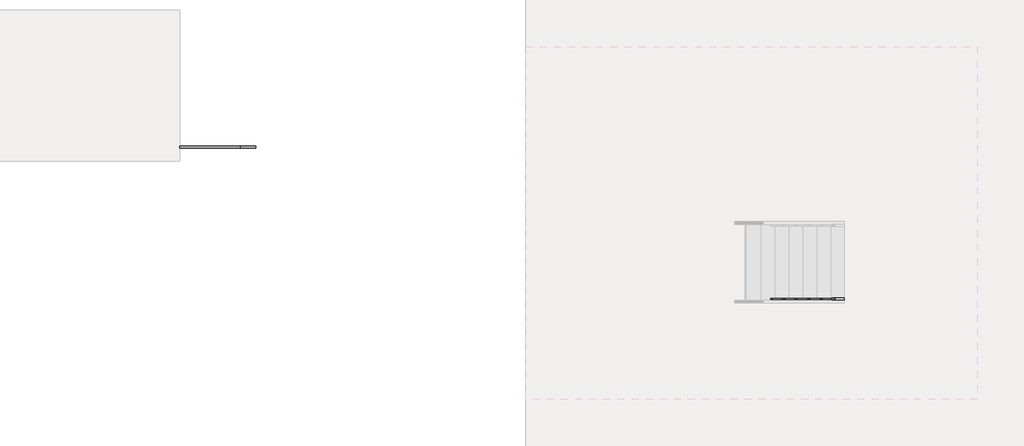
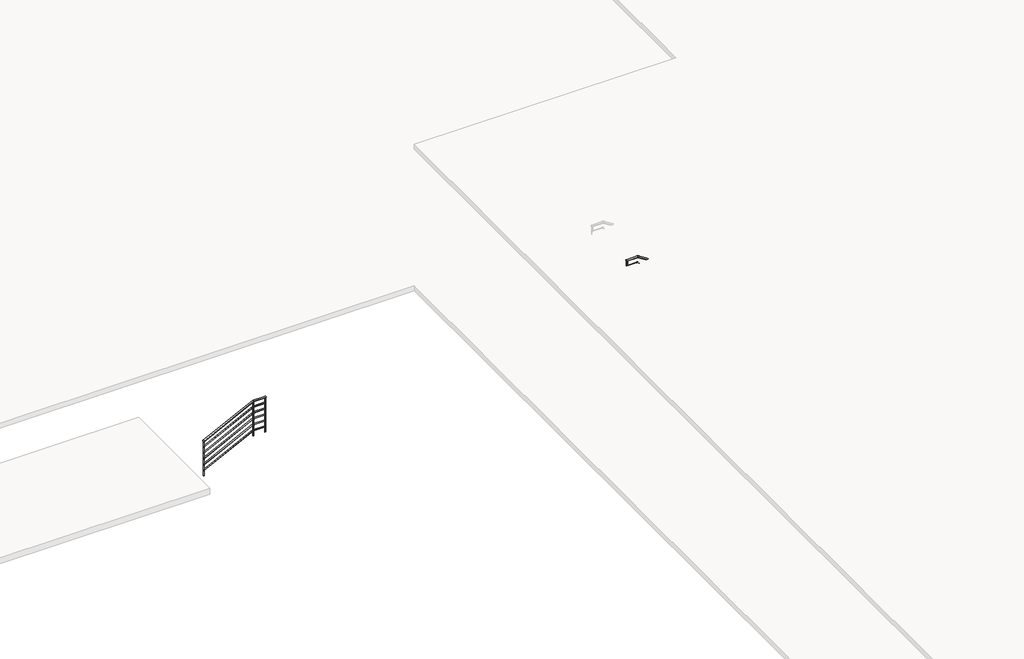
# One storey, part 35 of 38: 2 railings.
"""IFC4 building model written with IfcOpenShell, lengths in millimetres."""

from ifc_helpers import new_model, si_unit, point, frame, frame_2d, origin, origin_with_axes, place, context, project, spatial, circle_curve, ellipse_curve, trimmed, segment, composite_curve, outline, extrude, element, save
from ifc_brep_helpers import plane_surface, cylinder_surface, advanced_brep

model = new_model("IFC4")

# Units and contexts
model_context = context("Model", 3, world=origin())
ifc_project = project(units=[si_unit("LENGTHUNIT", "METRE", prefix="MILLI")], contexts=[model_context])

# Site, building, storey
site = spatial("IfcSite", under=ifc_project)
building = spatial("IfcBuilding", under=site)
storey = spatial("IfcBuildingStorey", under=building, Elevation=0.0)

# Railings
placement = place(None, origin())
element("IfcRailing", 1, ObjectType="Handrail - Pipe", at=placement, inside=storey, context=model_context, shape_type="SolidModel", body=[
    advanced_brep(
    [(-341912.3540228, 173963.6600981, 283.5014525), (-341912.3540228, 174001.7600981, 283.5014525), (-340688.6569278, 173963.6600981, 895.35), (-340688.6569278, 174001.7600981, 895.35), (-340388.3540228, 173963.6600981, 895.35), (-340388.3540228, 174001.7600981, 895.35)],
    [
        (0, 1, ellipse_curve(frame((-341912.3540228, 173982.7100981, 283.5014525), z_axis=(-1.0, 0.0, 0.0), x_axis=(0.0, 0.0, -1.0)), 21.2985475, 19.05)),
        (1, 0, ellipse_curve(frame((-341912.3540228, 173982.7100981, 283.5014525), z_axis=(-1.0, 0.0, 0.0), x_axis=(0.0, 0.0, -1.0)), 21.2985475, 19.05)),
        (0, 2),
        (2, 3, ellipse_curve(frame((-340688.6569278, 173982.7100981, 895.35), z_axis=(-0.9732489894677303, 0.0, -0.22975292054736124), x_axis=(0.22975292054736246, 0.0, -0.97324898946773)), 19.573614, 19.05)),
        (3, 1),
        (3, 2, ellipse_curve(frame((-340688.6569278, 173982.7100981, 895.35), z_axis=(-0.9732489894677303, 0.0, -0.22975292054736124), x_axis=(0.22975292054736246, 0.0, -0.97324898946773)), 19.573614, 19.05)),
        (4, 5, circle_curve(frame((-340388.3540228, 173982.7100981, 895.35), z_axis=(1.0, 0.0, 0.0), x_axis=(0.0, 1.0, 0.0)), 19.05)),
        (5, 4, circle_curve(frame((-340388.3540228, 173982.7100981, 895.35), z_axis=(1.0, 0.0, 0.0), x_axis=(0.0, 1.0, 0.0)), 19.05)),
        (2, 4),
        (5, 3),
    ],
    [
        plane_surface(frame((-341912.3540228, 173982.7100981, 304.8), z_axis=(-1.0, 0.0, 0.0), x_axis=(0.0, 1.0, 0.0))),
        cylinder_surface(frame((-341903.8346038, 173982.7100981, 287.761162), z_axis=(-0.894427190999916, 0.0, -0.447213595499958), x_axis=(0.0, 1.0, 0.0)), 19.05),
        plane_surface(frame((-340388.3540228, 173982.7100981, 914.4), z_axis=(1.0, 0.0, 0.0), x_axis=(0.0, 1.0, 0.0))),
        cylinder_surface(frame((-340693.1540228, 173982.7100981, 895.35), z_axis=(-1.0, 0.0, 0.0), x_axis=(0.0, 1.0, 0.0)), 19.05),
    ],
    [
        (0, [[1, 2]]),
        (1, [[-1, 3, 4, 5]]),
        (1, [[-2, -5, 6, -3]]),
        (2, [[7, 8]]),
        (3, [[-4, 9, -8, 10]]),
        (3, [[-6, -10, -7, -9]]),
    ],
),
    advanced_brep(
    [(-341912.3540228, 173995.4100981, 138.2009683), (-341912.3540228, 173970.0100981, 138.2009683), (-340690.1559595, 173995.4100981, 749.3), (-340690.1559595, 173970.0100981, 749.3), (-340388.3540228, 173995.4100981, 749.3), (-340388.3540228, 173970.0100981, 749.3)],
    [
        (0, 1, ellipse_curve(frame((-341912.3540228, 173982.7100981, 138.2009683), z_axis=(-1.0, 0.0, 0.0), x_axis=(0.0, 0.0, -1.0)), 14.1990317, 12.7)),
        (1, 0, ellipse_curve(frame((-341912.3540228, 173982.7100981, 138.2009683), z_axis=(-1.0, 0.0, 0.0), x_axis=(0.0, 0.0, -1.0)), 14.1990317, 12.7)),
        (0, 2),
        (2, 3, ellipse_curve(frame((-340690.1559595, 173982.7100981, 749.3), z_axis=(-0.9732489894677303, 0.0, -0.22975292054736124), x_axis=(0.22975292054736246, 0.0, -0.97324898946773)), 13.049076, 12.7)),
        (3, 1),
        (3, 2, ellipse_curve(frame((-340690.1559595, 173982.7100981, 749.3), z_axis=(-0.9732489894677303, 0.0, -0.22975292054736124), x_axis=(0.22975292054736246, 0.0, -0.97324898946773)), 13.049076, 12.7)),
        (4, 5, circle_curve(frame((-340388.3540228, 173982.7100981, 749.3), z_axis=(1.0, 0.0, 0.0), x_axis=(0.0, -1.0, 0.0)), 12.7)),
        (5, 4, circle_curve(frame((-340388.3540228, 173982.7100981, 749.3), z_axis=(1.0, 0.0, 0.0), x_axis=(0.0, -1.0, 0.0)), 12.7)),
        (2, 4),
        (5, 3),
    ],
    [
        plane_surface(frame((-341912.3540228, 173982.7100981, 152.4), z_axis=(-1.0, 0.0, 0.0), x_axis=(0.0, 1.0, 0.0))),
        cylinder_surface(frame((-341906.6744101, 173982.7100981, 141.0407747), z_axis=(-0.894427190999916, 0.0, -0.447213595499958), x_axis=(0.0, -1.0, 0.0)), 12.7),
        plane_surface(frame((-340388.3540228, 173982.7100981, 762.0), z_axis=(1.0, 0.0, 0.0), x_axis=(0.0, 1.0, 0.0))),
        cylinder_surface(frame((-340693.1540228, 173982.7100981, 749.3), z_axis=(-1.0, 0.0, 0.0), x_axis=(0.0, -1.0, 0.0)), 12.7),
    ],
    [
        (0, [[1, 2]]),
        (1, [[-1, 3, 4, 5]]),
        (1, [[-2, -5, 6, -3]]),
        (2, [[7, 8]]),
        (3, [[-4, 9, -8, 10]]),
        (3, [[-6, -10, -7, -9]]),
    ],
),
    advanced_brep(
    [(-341912.3540228, 173995.4100981, -14.1990317), (-341912.3540228, 173970.0100981, -14.1990317), (-340690.1559595, 173995.4100981, 596.9), (-340690.1559595, 173970.0100981, 596.9), (-340388.3540228, 173995.4100981, 596.9), (-340388.3540228, 173970.0100981, 596.9)],
    [
        (0, 1, ellipse_curve(frame((-341912.3540228, 173982.7100981, -14.1990317), z_axis=(-1.0, 0.0, 0.0), x_axis=(0.0, 0.0, -1.0)), 14.1990317, 12.7)),
        (1, 0, ellipse_curve(frame((-341912.3540228, 173982.7100981, -14.1990317), z_axis=(-1.0, 0.0, 0.0), x_axis=(0.0, 0.0, -1.0)), 14.1990317, 12.7)),
        (0, 2),
        (2, 3, ellipse_curve(frame((-340690.1559595, 173982.7100981, 596.9), z_axis=(-0.9732489894677303, 0.0, -0.22975292054736124), x_axis=(0.22975292054736246, 0.0, -0.97324898946773)), 13.049076, 12.7)),
        (3, 1),
        (3, 2, ellipse_curve(frame((-340690.1559595, 173982.7100981, 596.9), z_axis=(-0.9732489894677303, 0.0, -0.22975292054736124), x_axis=(0.22975292054736246, 0.0, -0.97324898946773)), 13.049076, 12.7)),
        (4, 5, circle_curve(frame((-340388.3540228, 173982.7100981, 596.9), z_axis=(1.0, 0.0, 0.0), x_axis=(0.0, -1.0, 0.0)), 12.7)),
        (5, 4, circle_curve(frame((-340388.3540228, 173982.7100981, 596.9), z_axis=(1.0, 0.0, 0.0), x_axis=(0.0, -1.0, 0.0)), 12.7)),
        (2, 4),
        (5, 3),
    ],
    [
        plane_surface(frame((-341912.3540228, 173982.7100981, 0.0), z_axis=(-1.0, 0.0, 0.0), x_axis=(0.0, 1.0, 0.0))),
        cylinder_surface(frame((-341906.6744101, 173982.7100981, -11.3592253), z_axis=(-0.894427190999916, 0.0, -0.447213595499958), x_axis=(0.0, -1.0, 0.0)), 12.7),
        plane_surface(frame((-340388.3540228, 173982.7100981, 609.6), z_axis=(1.0, 0.0, 0.0), x_axis=(0.0, 1.0, 0.0))),
        cylinder_surface(frame((-340693.1540228, 173982.7100981, 596.9), z_axis=(-1.0, 0.0, 0.0), x_axis=(0.0, -1.0, 0.0)), 12.7),
    ],
    [
        (0, [[1, 2]]),
        (1, [[-1, 3, 4, 5]]),
        (1, [[-2, -5, 6, -3]]),
        (2, [[7, 8]]),
        (3, [[-4, 9, -8, 10]]),
        (3, [[-6, -10, -7, -9]]),
    ],
),
    advanced_brep(
    [(-341912.3540228, 173995.4100981, -166.5990317), (-341912.3540228, 173970.0100981, -166.5990317), (-340690.1559595, 173995.4100981, 444.5), (-340690.1559595, 173970.0100981, 444.5), (-340388.3540228, 173995.4100981, 444.5), (-340388.3540228, 173970.0100981, 444.5)],
    [
        (0, 1, ellipse_curve(frame((-341912.3540228, 173982.7100981, -166.5990317), z_axis=(-1.0, 0.0, 0.0), x_axis=(0.0, 0.0, -1.0)), 14.1990317, 12.7)),
        (1, 0, ellipse_curve(frame((-341912.3540228, 173982.7100981, -166.5990317), z_axis=(-1.0, 0.0, 0.0), x_axis=(0.0, 0.0, -1.0)), 14.1990317, 12.7)),
        (0, 2),
        (2, 3, ellipse_curve(frame((-340690.1559595, 173982.7100981, 444.5), z_axis=(-0.9732489894677303, 0.0, -0.22975292054736124), x_axis=(0.22975292054736246, 0.0, -0.97324898946773)), 13.049076, 12.7)),
        (3, 1),
        (3, 2, ellipse_curve(frame((-340690.1559595, 173982.7100981, 444.5), z_axis=(-0.9732489894677303, 0.0, -0.22975292054736124), x_axis=(0.22975292054736246, 0.0, -0.97324898946773)), 13.049076, 12.7)),
        (4, 5, circle_curve(frame((-340388.3540228, 173982.7100981, 444.5), z_axis=(1.0, 0.0, 0.0), x_axis=(0.0, -1.0, 0.0)), 12.7)),
        (5, 4, circle_curve(frame((-340388.3540228, 173982.7100981, 444.5), z_axis=(1.0, 0.0, 0.0), x_axis=(0.0, -1.0, 0.0)), 12.7)),
        (2, 4),
        (5, 3),
    ],
    [
        plane_surface(frame((-341912.3540228, 173982.7100981, -152.4), z_axis=(-1.0, 0.0, 0.0), x_axis=(0.0, 1.0, 0.0))),
        cylinder_surface(frame((-341906.6744101, 173982.7100981, -163.7592253), z_axis=(-0.894427190999916, 0.0, -0.447213595499958), x_axis=(0.0, -1.0, 0.0)), 12.7),
        plane_surface(frame((-340388.3540228, 173982.7100981, 457.2), z_axis=(1.0, 0.0, 0.0), x_axis=(0.0, 1.0, 0.0))),
        cylinder_surface(frame((-340693.1540228, 173982.7100981, 444.5), z_axis=(-1.0, 0.0, 0.0), x_axis=(0.0, -1.0, 0.0)), 12.7),
    ],
    [
        (0, [[1, 2]]),
        (1, [[-1, 3, 4, 5]]),
        (1, [[-2, -5, 6, -3]]),
        (2, [[7, 8]]),
        (3, [[-4, 9, -8, 10]]),
        (3, [[-6, -10, -7, -9]]),
    ],
),
    advanced_brep(
    [(-341912.3540228, 173995.4100981, -318.9990317), (-341912.3540228, 173970.0100981, -318.9990317), (-340690.1559595, 173995.4100981, 292.1), (-340690.1559595, 173970.0100981, 292.1), (-340388.3540228, 173995.4100981, 292.1), (-340388.3540228, 173970.0100981, 292.1)],
    [
        (0, 1, ellipse_curve(frame((-341912.3540228, 173982.7100981, -318.9990317), z_axis=(-1.0, 0.0, 0.0), x_axis=(0.0, 0.0, -1.0)), 14.1990317, 12.7)),
        (1, 0, ellipse_curve(frame((-341912.3540228, 173982.7100981, -318.9990317), z_axis=(-1.0, 0.0, 0.0), x_axis=(0.0, 0.0, -1.0)), 14.1990317, 12.7)),
        (0, 2),
        (2, 3, ellipse_curve(frame((-340690.1559595, 173982.7100981, 292.1), z_axis=(-0.9732489894677303, 0.0, -0.22975292054736124), x_axis=(0.22975292054736246, 0.0, -0.97324898946773)), 13.049076, 12.7)),
        (3, 1),
        (3, 2, ellipse_curve(frame((-340690.1559595, 173982.7100981, 292.1), z_axis=(-0.9732489894677303, 0.0, -0.22975292054736124), x_axis=(0.22975292054736246, 0.0, -0.97324898946773)), 13.049076, 12.7)),
        (4, 5, circle_curve(frame((-340388.3540228, 173982.7100981, 292.1), z_axis=(1.0, 0.0, 0.0), x_axis=(0.0, -1.0, 0.0)), 12.7)),
        (5, 4, circle_curve(frame((-340388.3540228, 173982.7100981, 292.1), z_axis=(1.0, 0.0, 0.0), x_axis=(0.0, -1.0, 0.0)), 12.7)),
        (2, 4),
        (5, 3),
    ],
    [
        plane_surface(frame((-341912.3540228, 173982.7100981, -304.8), z_axis=(-1.0, 0.0, 0.0), x_axis=(0.0, 1.0, 0.0))),
        cylinder_surface(frame((-341906.6744101, 173982.7100981, -316.1592253), z_axis=(-0.894427190999916, 0.0, -0.447213595499958), x_axis=(0.0, -1.0, 0.0)), 12.7),
        plane_surface(frame((-340388.3540228, 173982.7100981, 304.8), z_axis=(1.0, 0.0, 0.0), x_axis=(0.0, 1.0, 0.0))),
        cylinder_surface(frame((-340693.1540228, 173982.7100981, 292.1), z_axis=(-1.0, 0.0, 0.0), x_axis=(0.0, -1.0, 0.0)), 12.7),
    ],
    [
        (0, [[1, 2]]),
        (1, [[-1, 3, 4, 5]]),
        (1, [[-2, -5, 6, -3]]),
        (2, [[7, 8]]),
        (3, [[-4, 9, -8, 10]]),
        (3, [[-6, -10, -7, -9]]),
    ],
),
    advanced_brep(
    [(-341912.3540228, 173995.4100981, -471.3990317), (-341912.3540228, 173970.0100981, -471.3990317), (-340690.1559595, 173995.4100981, 139.7), (-340690.1559595, 173970.0100981, 139.7), (-340388.3540228, 173995.4100981, 139.7), (-340388.3540228, 173970.0100981, 139.7)],
    [
        (0, 1, ellipse_curve(frame((-341912.3540228, 173982.7100981, -471.3990317), z_axis=(-1.0, 0.0, 0.0), x_axis=(0.0, 0.0, -1.0)), 14.1990317, 12.7)),
        (1, 0, ellipse_curve(frame((-341912.3540228, 173982.7100981, -471.3990317), z_axis=(-1.0, 0.0, 0.0), x_axis=(0.0, 0.0, -1.0)), 14.1990317, 12.7)),
        (0, 2),
        (2, 3, ellipse_curve(frame((-340690.1559595, 173982.7100981, 139.7), z_axis=(-0.9732489894677303, 0.0, -0.22975292054736124), x_axis=(0.22975292054736246, 0.0, -0.97324898946773)), 13.049076, 12.7)),
        (3, 1),
        (3, 2, ellipse_curve(frame((-340690.1559595, 173982.7100981, 139.7), z_axis=(-0.9732489894677303, 0.0, -0.22975292054736124), x_axis=(0.22975292054736246, 0.0, -0.97324898946773)), 13.049076, 12.7)),
        (4, 5, circle_curve(frame((-340388.3540228, 173982.7100981, 139.7), z_axis=(1.0, 0.0, 0.0), x_axis=(0.0, -1.0, 0.0)), 12.7)),
        (5, 4, circle_curve(frame((-340388.3540228, 173982.7100981, 139.7), z_axis=(1.0, 0.0, 0.0), x_axis=(0.0, -1.0, 0.0)), 12.7)),
        (2, 4),
        (5, 3),
    ],
    [
        plane_surface(frame((-341912.3540228, 173982.7100981, -457.2), z_axis=(-1.0, 0.0, 0.0), x_axis=(0.0, 1.0, 0.0))),
        cylinder_surface(frame((-341906.6744101, 173982.7100981, -468.5592253), z_axis=(-0.894427190999916, 0.0, -0.447213595499958), x_axis=(0.0, -1.0, 0.0)), 12.7),
        plane_surface(frame((-340388.3540228, 173982.7100981, 152.4), z_axis=(1.0, 0.0, 0.0), x_axis=(0.0, 1.0, 0.0))),
        cylinder_surface(frame((-340693.1540228, 173982.7100981, 139.7), z_axis=(-1.0, 0.0, 0.0), x_axis=(0.0, -1.0, 0.0)), 12.7),
    ],
    [
        (0, [[1, 2]]),
        (1, [[-1, 3, 4, 5]]),
        (1, [[-2, -5, 6, -3]]),
        (2, [[7, 8]]),
        (3, [[-4, 9, -8, 10]]),
        (3, [[-6, -10, -7, -9]]),
    ],
),
    advanced_brep(
    [(-340693.1540228, 173970.0100981, 871.802905), (-340693.1540228, 173970.0100981, 0.0), (-340693.1540228, 173995.4100981, 0.0), (-340693.1540228, 173995.4100981, 871.802905)],
    [
        (0, 1),
        (1, 2, circle_curve(frame((-340693.1540228, 173982.7100981, 0.0), z_axis=(0.0, 0.0, 1.0), x_axis=(0.0, 1.0, 0.0)), 12.7)),
        (2, 3),
        (3, 0, ellipse_curve(frame((-340693.1540228, 173982.7100981, 871.802905), z_axis=(0.4472135954999566, 0.0, -0.8944271909999165), x_axis=(0.8944271909999165, 0.0, 0.4472135954999567)), 14.1990317, 12.7)),
        (0, 3, ellipse_curve(frame((-340693.1540228, 173982.7100981, 871.802905), z_axis=(0.4472135954999566, 0.0, -0.8944271909999165), x_axis=(0.8944271909999165, 0.0, 0.4472135954999567)), 14.1990317, 12.7)),
        (2, 1, circle_curve(frame((-340693.1540228, 173982.7100981, 0.0), z_axis=(0.0, 0.0, 1.0), x_axis=(0.0, 1.0, 0.0)), 12.7)),
    ],
    [
        cylinder_surface(frame((-340693.1540228, 173982.7100981, -228.6), z_axis=(0.0, 0.0, 1.0), x_axis=(0.0, 1.0, 0.0)), 12.7),
        plane_surface(frame((-340667.7540228, 174008.1100981, 884.502905), z_axis=(-0.4472135954999566, 0.0, 0.8944271909999165), x_axis=(0.0, -1.0, 0.0))),
        plane_surface(frame((-340718.5540228, 174008.1100981, 0.0), z_axis=(0.0, 0.0, -1.0), x_axis=(0.0, -1.0, 0.0))),
    ],
    [
        (0, [[1, 2, 3, 4]]),
        (0, [[-1, 5, -3, 6]]),
        (1, [[-4, -5]]),
        (2, [[-2, -6]]),
    ],
),
    extrude(outline(composite_curve([segment(trimmed(circle_curve(frame_2d((-340401.0540228, 173982.7100981)), 12.7), [point((-340401.0540228, 173995.4100981))], [point((-340401.0540228, 173970.0100981))], False, "CARTESIAN"), True, "CONTINUOUS"), segment(trimmed(circle_curve(frame_2d((-340401.0540228, 173982.7100981)), 12.7), [point((-340401.0540228, 173970.0100981))], [point((-340401.0540228, 173995.4100981))], False, "CARTESIAN"), True, "CONTINUOUS")], self_intersect=False)), origin_with_axes(), (0.0, 0.0, 1.0), 876.3),
    advanced_brep(
    [(-341899.6540228, 173970.0100981, 268.552905), (-341899.6540228, 173970.0100981, -609.6), (-341899.6540228, 173995.4100981, -609.6), (-341899.6540228, 173995.4100981, 268.552905)],
    [
        (0, 1),
        (1, 2, circle_curve(frame((-341899.6540228, 173982.7100981, -609.6), z_axis=(0.0, 0.0, 1.0), x_axis=(0.0, 1.0, 0.0)), 12.7)),
        (2, 3),
        (3, 0, ellipse_curve(frame((-341899.6540228, 173982.7100981, 268.552905), z_axis=(0.4472135954999566, 0.0, -0.8944271909999165), x_axis=(0.8944271909999165, 0.0, 0.4472135954999567)), 14.1990317, 12.7)),
        (0, 3, ellipse_curve(frame((-341899.6540228, 173982.7100981, 268.552905), z_axis=(0.4472135954999566, 0.0, -0.8944271909999165), x_axis=(0.8944271909999165, 0.0, 0.4472135954999567)), 14.1990317, 12.7)),
        (2, 1, circle_curve(frame((-341899.6540228, 173982.7100981, -609.6), z_axis=(0.0, 0.0, 1.0), x_axis=(0.0, 1.0, 0.0)), 12.7)),
    ],
    [
        cylinder_surface(frame((-341899.6540228, 173982.7100981, -838.2), z_axis=(0.0, 0.0, 1.0), x_axis=(0.0, 1.0, 0.0)), 12.7),
        plane_surface(frame((-341874.2540228, 174008.1100981, 281.252905), z_axis=(-0.4472135954999566, 0.0, 0.8944271909999165), x_axis=(0.0, -1.0, 0.0))),
        plane_surface(frame((-341925.0540228, 174008.1100981, -609.6), z_axis=(0.0, 0.0, -1.0), x_axis=(0.0, -1.0, 0.0))),
    ],
    [
        (0, [[1, 2, 3, 4]]),
        (0, [[-1, 5, -3, 6]]),
        (1, [[-4, -5]]),
        (2, [[-2, -6]]),
    ],
),
])
element("IfcRailing", 2, ObjectType="Handrail - Pipe", at=placement, inside=storey, context=model_context, shape_type="SolidModel", body=[
    advanced_brep(
    [(-328577.7168555, 170953.7600981, 1062.6244551), (-328577.7168555, 170915.6600981, 1062.6244551), (-333053.4714717, 170953.7600981, 3794.5785714), (-333053.4714717, 170915.6600981, 3794.5785714), (-333327.5168555, 170953.7600981, 3794.5785714), (-333327.5168555, 170915.6600981, 3794.5785714)],
    [
        (0, 1, ellipse_curve(frame((-328577.7168555, 170934.7100981, 1062.6244551), z_axis=(1.0, 0.0, 0.0), x_axis=(0.0, 0.0, -1.0)), 22.3184021, 19.05)),
        (1, 0, ellipse_curve(frame((-328577.7168555, 170934.7100981, 1062.6244551), z_axis=(1.0, 0.0, 0.0), x_axis=(0.0, 0.0, -1.0)), 22.3184021, 19.05)),
        (0, 2),
        (2, 3, ellipse_curve(frame((-333053.4714717, 170934.7100981, 3794.5785714), z_axis=(0.9626930275331743, 0.0, -0.27059588825222525), x_axis=(-0.2705958882522249, 0.0, -0.9626930275331745)), 19.7882393, 19.05)),
        (3, 1),
        (3, 2, ellipse_curve(frame((-333053.4714717, 170934.7100981, 3794.5785714), z_axis=(0.9626930275331743, 0.0, -0.27059588825222525), x_axis=(-0.2705958882522249, 0.0, -0.9626930275331745)), 19.7882393, 19.05)),
        (4, 5, circle_curve(frame((-333327.5168555, 170934.7100981, 3794.5785714), z_axis=(-1.0, 0.0, 0.0), x_axis=(0.0, -1.0, 0.0)), 19.05)),
        (5, 4, circle_curve(frame((-333327.5168555, 170934.7100981, 3794.5785714), z_axis=(-1.0, 0.0, 0.0), x_axis=(0.0, -1.0, 0.0)), 19.05)),
        (2, 4),
        (5, 3),
    ],
    [
        plane_surface(frame((-328577.7168555, 170934.7100981, 1084.9428571), z_axis=(1.0, 0.0, 0.0), x_axis=(0.0, -1.0, 0.0))),
        cylinder_surface(frame((-328587.641935, 170934.7100981, 1068.6826205), z_axis=(0.8535557305219784, 0.0, -0.5210015497991267), x_axis=(0.0, -1.0, 0.0)), 19.05),
        plane_surface(frame((-333327.5168555, 170934.7100981, 3813.6285714), z_axis=(-1.0, 0.0, 0.0), x_axis=(0.0, -1.0, 0.0))),
        cylinder_surface(frame((-333048.1168555, 170934.7100981, 3794.5785714), z_axis=(1.0, 0.0, 0.0), x_axis=(0.0, -1.0, 0.0)), 19.05),
    ],
    [
        (0, [[1, 2]]),
        (1, [[-1, 3, 4, 5]]),
        (1, [[-2, -5, 6, -3]]),
        (2, [[7, 8]]),
        (3, [[-4, 9, -8, 10]]),
        (3, [[-6, -10, -7, -9]]),
    ],
),
    advanced_brep(
    [(-328577.7168555, 170947.4100981, 917.6639224), (-328577.7168555, 170922.0100981, 917.6639224), (-333051.6865996, 170947.4100981, 3648.5285714), (-333051.6865996, 170922.0100981, 3648.5285714), (-333327.5168555, 170947.4100981, 3648.5285714), (-333327.5168555, 170922.0100981, 3648.5285714)],
    [
        (0, 1, ellipse_curve(frame((-328577.7168555, 170934.7100981, 917.6639224), z_axis=(1.0, 0.0, 0.0), x_axis=(0.0, 0.0, -1.0)), 14.8789347, 12.7)),
        (1, 0, ellipse_curve(frame((-328577.7168555, 170934.7100981, 917.6639224), z_axis=(1.0, 0.0, 0.0), x_axis=(0.0, 0.0, -1.0)), 14.8789347, 12.7)),
        (0, 2),
        (2, 3, ellipse_curve(frame((-333051.6865996, 170934.7100981, 3648.5285714), z_axis=(0.9626930275331743, 0.0, -0.27059588825222525), x_axis=(-0.2705958882522249, 0.0, -0.9626930275331745)), 13.1921595, 12.7)),
        (3, 1),
        (3, 2, ellipse_curve(frame((-333051.6865996, 170934.7100981, 3648.5285714), z_axis=(0.9626930275331743, 0.0, -0.27059588825222525), x_axis=(-0.2705958882522249, 0.0, -0.9626930275331745)), 13.1921595, 12.7)),
        (4, 5, circle_curve(frame((-333327.5168555, 170934.7100981, 3648.5285714), z_axis=(-1.0, 0.0, 0.0), x_axis=(0.0, -1.0, 0.0)), 12.7)),
        (5, 4, circle_curve(frame((-333327.5168555, 170934.7100981, 3648.5285714), z_axis=(-1.0, 0.0, 0.0), x_axis=(0.0, -1.0, 0.0)), 12.7)),
        (2, 4),
        (5, 3),
    ],
    [
        plane_surface(frame((-328577.7168555, 170934.7100981, 932.5428571), z_axis=(1.0, 0.0, 0.0), x_axis=(0.0, -1.0, 0.0))),
        cylinder_surface(frame((-328584.3335752, 170934.7100981, 921.7026994), z_axis=(0.8535557305219784, 0.0, -0.5210015497991267), x_axis=(0.0, -1.0, 0.0)), 12.7),
        plane_surface(frame((-333327.5168555, 170934.7100981, 3661.2285714), z_axis=(-1.0, 0.0, 0.0), x_axis=(0.0, -1.0, 0.0))),
        cylinder_surface(frame((-333048.1168555, 170934.7100981, 3648.5285714), z_axis=(1.0, 0.0, 0.0), x_axis=(0.0, -1.0, 0.0)), 12.7),
    ],
    [
        (0, [[1, 2]]),
        (1, [[-1, 3, 4, 5]]),
        (1, [[-2, -5, 6, -3]]),
        (2, [[7, 8]]),
        (3, [[-4, 9, -8, 10]]),
        (3, [[-6, -10, -7, -9]]),
    ],
),
    advanced_brep(
    [(-328577.7168555, 170947.4100981, 765.2639224), (-328577.7168555, 170922.0100981, 765.2639224), (-333051.6865996, 170947.4100981, 3496.1285714), (-333051.6865996, 170922.0100981, 3496.1285714), (-333327.5168555, 170947.4100981, 3496.1285714), (-333327.5168555, 170922.0100981, 3496.1285714)],
    [
        (0, 1, ellipse_curve(frame((-328577.7168555, 170934.7100981, 765.2639224), z_axis=(1.0, 0.0, 0.0), x_axis=(0.0, 0.0, -1.0)), 14.8789347, 12.7)),
        (1, 0, ellipse_curve(frame((-328577.7168555, 170934.7100981, 765.2639224), z_axis=(1.0, 0.0, 0.0), x_axis=(0.0, 0.0, -1.0)), 14.8789347, 12.7)),
        (0, 2),
        (2, 3, ellipse_curve(frame((-333051.6865996, 170934.7100981, 3496.1285714), z_axis=(0.9626930275331743, 0.0, -0.27059588825222525), x_axis=(-0.2705958882522249, 0.0, -0.9626930275331745)), 13.1921595, 12.7)),
        (3, 1),
        (3, 2, ellipse_curve(frame((-333051.6865996, 170934.7100981, 3496.1285714), z_axis=(0.9626930275331743, 0.0, -0.27059588825222525), x_axis=(-0.2705958882522249, 0.0, -0.9626930275331745)), 13.1921595, 12.7)),
        (4, 5, circle_curve(frame((-333327.5168555, 170934.7100981, 3496.1285714), z_axis=(-1.0, 0.0, 0.0), x_axis=(0.0, -1.0, 0.0)), 12.7)),
        (5, 4, circle_curve(frame((-333327.5168555, 170934.7100981, 3496.1285714), z_axis=(-1.0, 0.0, 0.0), x_axis=(0.0, -1.0, 0.0)), 12.7)),
        (2, 4),
        (5, 3),
    ],
    [
        plane_surface(frame((-328577.7168555, 170934.7100981, 780.1428571), z_axis=(1.0, 0.0, 0.0), x_axis=(0.0, -1.0, 0.0))),
        cylinder_surface(frame((-328584.3335752, 170934.7100981, 769.3026994), z_axis=(0.8535557305219784, 0.0, -0.5210015497991267), x_axis=(0.0, -1.0, 0.0)), 12.7),
        plane_surface(frame((-333327.5168555, 170934.7100981, 3508.8285714), z_axis=(-1.0, 0.0, 0.0), x_axis=(0.0, -1.0, 0.0))),
        cylinder_surface(frame((-333048.1168555, 170934.7100981, 3496.1285714), z_axis=(1.0, 0.0, 0.0), x_axis=(0.0, -1.0, 0.0)), 12.7),
    ],
    [
        (0, [[1, 2]]),
        (1, [[-1, 3, 4, 5]]),
        (1, [[-2, -5, 6, -3]]),
        (2, [[7, 8]]),
        (3, [[-4, 9, -8, 10]]),
        (3, [[-6, -10, -7, -9]]),
    ],
),
    advanced_brep(
    [(-328577.7168555, 170947.4100981, 612.8639224), (-328577.7168555, 170922.0100981, 612.8639224), (-333051.6865996, 170947.4100981, 3343.7285714), (-333051.6865996, 170922.0100981, 3343.7285714), (-333327.5168555, 170947.4100981, 3343.7285714), (-333327.5168555, 170922.0100981, 3343.7285714)],
    [
        (0, 1, ellipse_curve(frame((-328577.7168555, 170934.7100981, 612.8639224), z_axis=(1.0, 0.0, 0.0), x_axis=(0.0, 0.0, -1.0)), 14.8789347, 12.7)),
        (1, 0, ellipse_curve(frame((-328577.7168555, 170934.7100981, 612.8639224), z_axis=(1.0, 0.0, 0.0), x_axis=(0.0, 0.0, -1.0)), 14.8789347, 12.7)),
        (0, 2),
        (2, 3, ellipse_curve(frame((-333051.6865996, 170934.7100981, 3343.7285714), z_axis=(0.9626930275331743, 0.0, -0.27059588825222525), x_axis=(-0.2705958882522249, 0.0, -0.9626930275331745)), 13.1921595, 12.7)),
        (3, 1),
        (3, 2, ellipse_curve(frame((-333051.6865996, 170934.7100981, 3343.7285714), z_axis=(0.9626930275331743, 0.0, -0.27059588825222525), x_axis=(-0.2705958882522249, 0.0, -0.9626930275331745)), 13.1921595, 12.7)),
        (4, 5, circle_curve(frame((-333327.5168555, 170934.7100981, 3343.7285714), z_axis=(-1.0, 0.0, 0.0), x_axis=(0.0, -1.0, 0.0)), 12.7)),
        (5, 4, circle_curve(frame((-333327.5168555, 170934.7100981, 3343.7285714), z_axis=(-1.0, 0.0, 0.0), x_axis=(0.0, -1.0, 0.0)), 12.7)),
        (2, 4),
        (5, 3),
    ],
    [
        plane_surface(frame((-328577.7168555, 170934.7100981, 627.7428571), z_axis=(1.0, 0.0, 0.0), x_axis=(0.0, -1.0, 0.0))),
        cylinder_surface(frame((-328584.3335752, 170934.7100981, 616.9026994), z_axis=(0.8535557305219784, 0.0, -0.5210015497991267), x_axis=(0.0, -1.0, 0.0)), 12.7),
        plane_surface(frame((-333327.5168555, 170934.7100981, 3356.4285714), z_axis=(-1.0, 0.0, 0.0), x_axis=(0.0, -1.0, 0.0))),
        cylinder_surface(frame((-333048.1168555, 170934.7100981, 3343.7285714), z_axis=(1.0, 0.0, 0.0), x_axis=(0.0, -1.0, 0.0)), 12.7),
    ],
    [
        (0, [[1, 2]]),
        (1, [[-1, 3, 4, 5]]),
        (1, [[-2, -5, 6, -3]]),
        (2, [[7, 8]]),
        (3, [[-4, 9, -8, 10]]),
        (3, [[-6, -10, -7, -9]]),
    ],
),
    advanced_brep(
    [(-328577.7168555, 170947.4100981, 460.4639224), (-328577.7168555, 170922.0100981, 460.4639224), (-333051.6865996, 170947.4100981, 3191.3285714), (-333051.6865996, 170922.0100981, 3191.3285714), (-333327.5168555, 170947.4100981, 3191.3285714), (-333327.5168555, 170922.0100981, 3191.3285714)],
    [
        (0, 1, ellipse_curve(frame((-328577.7168555, 170934.7100981, 460.4639224), z_axis=(1.0, 0.0, 0.0), x_axis=(0.0, 0.0, -1.0)), 14.8789347, 12.7)),
        (1, 0, ellipse_curve(frame((-328577.7168555, 170934.7100981, 460.4639224), z_axis=(1.0, 0.0, 0.0), x_axis=(0.0, 0.0, -1.0)), 14.8789347, 12.7)),
        (0, 2),
        (2, 3, ellipse_curve(frame((-333051.6865996, 170934.7100981, 3191.3285714), z_axis=(0.9626930275331743, 0.0, -0.27059588825222525), x_axis=(-0.2705958882522249, 0.0, -0.9626930275331745)), 13.1921595, 12.7)),
        (3, 1),
        (3, 2, ellipse_curve(frame((-333051.6865996, 170934.7100981, 3191.3285714), z_axis=(0.9626930275331743, 0.0, -0.27059588825222525), x_axis=(-0.2705958882522249, 0.0, -0.9626930275331745)), 13.1921595, 12.7)),
        (4, 5, circle_curve(frame((-333327.5168555, 170934.7100981, 3191.3285714), z_axis=(-1.0, 0.0, 0.0), x_axis=(0.0, -1.0, 0.0)), 12.7)),
        (5, 4, circle_curve(frame((-333327.5168555, 170934.7100981, 3191.3285714), z_axis=(-1.0, 0.0, 0.0), x_axis=(0.0, -1.0, 0.0)), 12.7)),
        (2, 4),
        (5, 3),
    ],
    [
        plane_surface(frame((-328577.7168555, 170934.7100981, 475.3428571), z_axis=(1.0, 0.0, 0.0), x_axis=(0.0, -1.0, 0.0))),
        cylinder_surface(frame((-328584.3335752, 170934.7100981, 464.5026994), z_axis=(0.8535557305219784, 0.0, -0.5210015497991267), x_axis=(0.0, -1.0, 0.0)), 12.7),
        plane_surface(frame((-333327.5168555, 170934.7100981, 3204.0285714), z_axis=(-1.0, 0.0, 0.0), x_axis=(0.0, -1.0, 0.0))),
        cylinder_surface(frame((-333048.1168555, 170934.7100981, 3191.3285714), z_axis=(1.0, 0.0, 0.0), x_axis=(0.0, -1.0, 0.0)), 12.7),
    ],
    [
        (0, [[1, 2]]),
        (1, [[-1, 3, 4, 5]]),
        (1, [[-2, -5, 6, -3]]),
        (2, [[7, 8]]),
        (3, [[-4, 9, -8, 10]]),
        (3, [[-6, -10, -7, -9]]),
    ],
),
    advanced_brep(
    [(-328577.7168555, 170947.4100981, 308.0639224), (-328577.7168555, 170922.0100981, 308.0639224), (-333051.6865996, 170947.4100981, 3038.9285714), (-333051.6865996, 170922.0100981, 3038.9285714), (-333327.5168555, 170947.4100981, 3038.9285714), (-333327.5168555, 170922.0100981, 3038.9285714)],
    [
        (0, 1, ellipse_curve(frame((-328577.7168555, 170934.7100981, 308.0639224), z_axis=(1.0, 0.0, 0.0), x_axis=(0.0, 0.0, -1.0)), 14.8789347, 12.7)),
        (1, 0, ellipse_curve(frame((-328577.7168555, 170934.7100981, 308.0639224), z_axis=(1.0, 0.0, 0.0), x_axis=(0.0, 0.0, -1.0)), 14.8789347, 12.7)),
        (0, 2),
        (2, 3, ellipse_curve(frame((-333051.6865996, 170934.7100981, 3038.9285714), z_axis=(0.9626930275331743, 0.0, -0.27059588825222525), x_axis=(-0.2705958882522249, 0.0, -0.9626930275331745)), 13.1921595, 12.7)),
        (3, 1),
        (3, 2, ellipse_curve(frame((-333051.6865996, 170934.7100981, 3038.9285714), z_axis=(0.9626930275331743, 0.0, -0.27059588825222525), x_axis=(-0.2705958882522249, 0.0, -0.9626930275331745)), 13.1921595, 12.7)),
        (4, 5, circle_curve(frame((-333327.5168555, 170934.7100981, 3038.9285714), z_axis=(-1.0, 0.0, 0.0), x_axis=(0.0, -1.0, 0.0)), 12.7)),
        (5, 4, circle_curve(frame((-333327.5168555, 170934.7100981, 3038.9285714), z_axis=(-1.0, 0.0, 0.0), x_axis=(0.0, -1.0, 0.0)), 12.7)),
        (2, 4),
        (5, 3),
    ],
    [
        plane_surface(frame((-328577.7168555, 170934.7100981, 322.9428571), z_axis=(1.0, 0.0, 0.0), x_axis=(0.0, -1.0, 0.0))),
        cylinder_surface(frame((-328584.3335752, 170934.7100981, 312.1026994), z_axis=(0.8535557305219784, 0.0, -0.5210015497991267), x_axis=(0.0, -1.0, 0.0)), 12.7),
        plane_surface(frame((-333327.5168555, 170934.7100981, 3051.6285714), z_axis=(-1.0, 0.0, 0.0), x_axis=(0.0, -1.0, 0.0))),
        cylinder_surface(frame((-333048.1168555, 170934.7100981, 3038.9285714), z_axis=(1.0, 0.0, 0.0), x_axis=(0.0, -1.0, 0.0)), 12.7),
    ],
    [
        (0, [[1, 2]]),
        (1, [[-1, 3, 4, 5]]),
        (1, [[-2, -5, 6, -3]]),
        (2, [[7, 8]]),
        (3, [[-4, 9, -8, 10]]),
        (3, [[-6, -10, -7, -9]]),
    ],
),
    advanced_brep(
    [(-332235.3168555, 170922.0100981, 3272.8670919), (-332235.3168555, 170947.4100981, 3272.8670919), (-332235.3168555, 170947.4100981, 2387.6), (-332235.3168555, 170922.0100981, 2387.6)],
    [
        (0, 1, ellipse_curve(frame((-332235.3168555, 170934.7100981, 3272.8670919), z_axis=(-0.5210015497991245, 0.0, -0.8535557305219797), x_axis=(-0.8535557305219797, 0.0, 0.5210015497991244)), 14.8789347, 12.7)),
        (1, 2),
        (2, 3, circle_curve(frame((-332235.3168555, 170934.7100981, 2387.6), z_axis=(0.0, 0.0, 1.0), x_axis=(0.0, 1.0, 0.0)), 12.7)),
        (3, 0),
        (3, 2, circle_curve(frame((-332235.3168555, 170934.7100981, 2387.6), z_axis=(0.0, 0.0, 1.0), x_axis=(0.0, 1.0, 0.0)), 12.7)),
        (1, 0, ellipse_curve(frame((-332235.3168555, 170934.7100981, 3272.8670919), z_axis=(-0.5210015497991245, 0.0, -0.8535557305219797), x_axis=(-0.8535557305219797, 0.0, 0.5210015497991244)), 14.8789347, 12.7)),
    ],
    [
        cylinder_surface(frame((-332235.3168555, 170934.7100981, 2159.0), z_axis=(0.0, 0.0, 1.0), x_axis=(0.0, 1.0, 0.0)), 12.7),
        plane_surface(frame((-332260.7168555, 170960.1100981, 3288.370988), z_axis=(0.5210015497991245, 0.0, 0.8535557305219797), x_axis=(0.0, -1.0, 0.0))),
        plane_surface(frame((-332209.9168555, 170960.1100981, 2387.6), z_axis=(0.0, 0.0, -1.0), x_axis=(0.0, -1.0, 0.0))),
    ],
    [
        (0, [[1, 2, 3, 4]]),
        (0, [[5, -2, 6, -4]]),
        (1, [[-6, -1]]),
        (2, [[-5, -3]]),
    ],
),
    advanced_brep(
    [(-331016.1168555, 170922.0100981, 2528.6800789), (-331016.1168555, 170947.4100981, 2528.6800789), (-331016.1168555, 170947.4100981, 1534.8857143), (-331016.1168555, 170922.0100981, 1534.8857143)],
    [
        (0, 1, ellipse_curve(frame((-331016.1168555, 170934.7100981, 2528.6800789), z_axis=(-0.5210015497991245, 0.0, -0.8535557305219797), x_axis=(-0.8535557305219797, 0.0, 0.5210015497991244)), 14.8789347, 12.7)),
        (1, 2),
        (2, 3, circle_curve(frame((-331016.1168555, 170934.7100981, 1534.8857143), z_axis=(0.0, 0.0, 1.0), x_axis=(0.0, 1.0, 0.0)), 12.7)),
        (3, 0),
        (3, 2, circle_curve(frame((-331016.1168555, 170934.7100981, 1534.8857143), z_axis=(0.0, 0.0, 1.0), x_axis=(0.0, 1.0, 0.0)), 12.7)),
        (1, 0, ellipse_curve(frame((-331016.1168555, 170934.7100981, 2528.6800789), z_axis=(-0.5210015497991245, 0.0, -0.8535557305219797), x_axis=(-0.8535557305219797, 0.0, 0.5210015497991244)), 14.8789347, 12.7)),
    ],
    [
        cylinder_surface(frame((-331016.1168555, 170934.7100981, 1306.2857143), z_axis=(0.0, 0.0, 1.0), x_axis=(0.0, 1.0, 0.0)), 12.7),
        plane_surface(frame((-331041.5168555, 170960.1100981, 2544.183975), z_axis=(0.5210015497991245, 0.0, 0.8535557305219797), x_axis=(0.0, -1.0, 0.0))),
        plane_surface(frame((-330990.7168555, 170960.1100981, 1534.8857143), z_axis=(0.0, 0.0, -1.0), x_axis=(0.0, -1.0, 0.0))),
    ],
    [
        (0, [[1, 2, 3, 4]]),
        (0, [[5, -2, 6, -4]]),
        (1, [[-6, -1]]),
        (2, [[-5, -3]]),
    ],
),
    advanced_brep(
    [(-329796.9168555, 170922.0100981, 1784.4930659), (-329796.9168555, 170947.4100981, 1784.4930659), (-329796.9168555, 170947.4100981, 852.7142857), (-329796.9168555, 170922.0100981, 852.7142857)],
    [
        (0, 1, ellipse_curve(frame((-329796.9168555, 170934.7100981, 1784.4930659), z_axis=(-0.5210015497991245, 0.0, -0.8535557305219797), x_axis=(-0.8535557305219797, 0.0, 0.5210015497991244)), 14.8789347, 12.7)),
        (1, 2),
        (2, 3, circle_curve(frame((-329796.9168555, 170934.7100981, 852.7142857), z_axis=(0.0, 0.0, 1.0), x_axis=(0.0, 1.0, 0.0)), 12.7)),
        (3, 0),
        (3, 2, circle_curve(frame((-329796.9168555, 170934.7100981, 852.7142857), z_axis=(0.0, 0.0, 1.0), x_axis=(0.0, 1.0, 0.0)), 12.7)),
        (1, 0, ellipse_curve(frame((-329796.9168555, 170934.7100981, 1784.4930659), z_axis=(-0.5210015497991245, 0.0, -0.8535557305219797), x_axis=(-0.8535557305219797, 0.0, 0.5210015497991244)), 14.8789347, 12.7)),
    ],
    [
        cylinder_surface(frame((-329796.9168555, 170934.7100981, 624.1142857), z_axis=(0.0, 0.0, 1.0), x_axis=(0.0, 1.0, 0.0)), 12.7),
        plane_surface(frame((-329822.3168555, 170960.1100981, 1799.9969621), z_axis=(0.5210015497991245, 0.0, 0.8535557305219797), x_axis=(0.0, -1.0, 0.0))),
        plane_surface(frame((-329771.5168555, 170960.1100981, 852.7142857), z_axis=(0.0, 0.0, -1.0), x_axis=(0.0, -1.0, 0.0))),
    ],
    [
        (0, [[1, 2, 3, 4]]),
        (0, [[5, -2, 6, -4]]),
        (1, [[-6, -1]]),
        (2, [[-5, -3]]),
    ],
),
    extrude(outline(composite_curve([segment(trimmed(circle_curve(frame_2d((-333314.8168555, 170934.7100981)), 12.7), [point((-333314.8168555, 170947.4100981))], [point((-333314.8168555, 170922.0100981))], False, "CARTESIAN"), True, "CONTINUOUS"), segment(trimmed(circle_curve(frame_2d((-333314.8168555, 170934.7100981)), 12.7), [point((-333314.8168555, 170922.0100981))], [point((-333314.8168555, 170947.4100981))], False, "CARTESIAN"), True, "CONTINUOUS")], self_intersect=False)), frame((0.0, 0.0, 2899.2285714), z_axis=(0.0, 0.0, 1.0), x_axis=(1.0, 0.0, 0.0)), (0.0, 0.0, 1.0), 876.3),
    advanced_brep(
    [(-328590.4168555, 170922.0100981, 1048.058001), (-328590.4168555, 170947.4100981, 1048.058001), (-328590.4168555, 170947.4100981, 170.5428571), (-328590.4168555, 170922.0100981, 170.5428571)],
    [
        (0, 1, ellipse_curve(frame((-328590.4168555, 170934.7100981, 1048.058001), z_axis=(-0.5210015497991245, 0.0, -0.8535557305219797), x_axis=(-0.8535557305219797, 0.0, 0.5210015497991244)), 14.8789347, 12.7)),
        (1, 2),
        (2, 3, circle_curve(frame((-328590.4168555, 170934.7100981, 170.5428571), z_axis=(0.0, 0.0, 1.0), x_axis=(0.0, 1.0, 0.0)), 12.7)),
        (3, 0),
        (3, 2, circle_curve(frame((-328590.4168555, 170934.7100981, 170.5428571), z_axis=(0.0, 0.0, 1.0), x_axis=(0.0, 1.0, 0.0)), 12.7)),
        (1, 0, ellipse_curve(frame((-328590.4168555, 170934.7100981, 1048.058001), z_axis=(-0.5210015497991245, 0.0, -0.8535557305219797), x_axis=(-0.8535557305219797, 0.0, 0.5210015497991244)), 14.8789347, 12.7)),
    ],
    [
        cylinder_surface(frame((-328590.4168555, 170934.7100981, -58.0571429), z_axis=(0.0, 0.0, 1.0), x_axis=(0.0, 1.0, 0.0)), 12.7),
        plane_surface(frame((-328615.8168555, 170960.1100981, 1063.5618971), z_axis=(0.5210015497991245, 0.0, 0.8535557305219797), x_axis=(0.0, -1.0, 0.0))),
        plane_surface(frame((-328565.0168555, 170960.1100981, 170.5428571), z_axis=(0.0, 0.0, -1.0), x_axis=(0.0, -1.0, 0.0))),
    ],
    [
        (0, [[1, 2, 3, 4]]),
        (0, [[5, -2, 6, -4]]),
        (1, [[-6, -1]]),
        (2, [[-5, -3]]),
    ],
),
])

save(model, "model.ifc")
